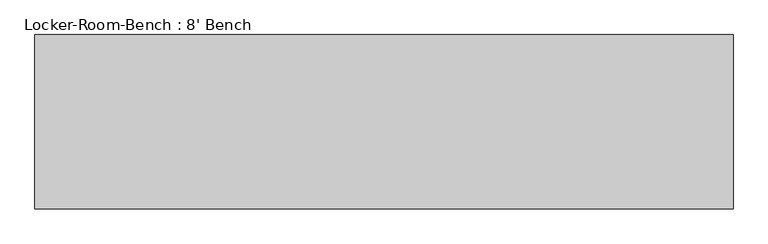
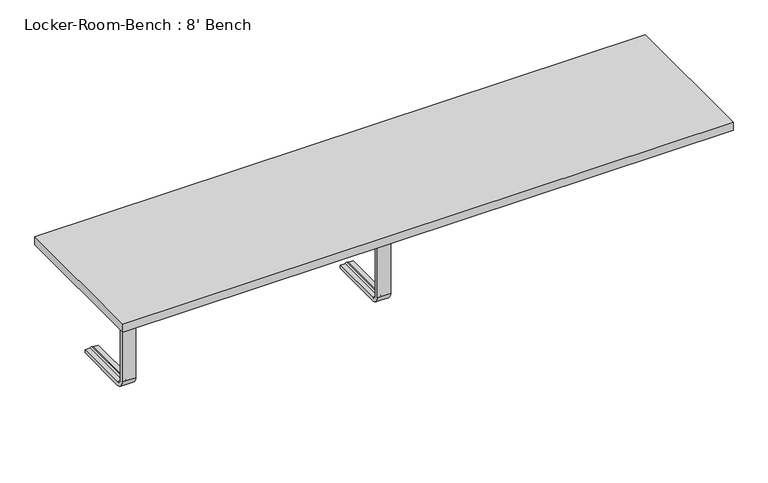
"""IFC4 building model written with IfcOpenShell, lengths in millimetres: proxy geometry, Locker-Room-Bench : 8' Bench."""

from ifc_helpers import new_model, si_unit, point, frame, origin, place, context, project, spatial, polyline, circle_curve, ellipse_curve, trimmed, outline, extrude, source, transform, mapped, element, save
from ifc_brep_helpers import plane_surface, cylinder_surface, revolved_surface, advanced_brep


def locker_room_bench_8_bench_8472a638(model_context):
    return source(origin(), model_context, "Body", "SolidModel", [
        advanced_brep(
        [(-744.4, 193.6, 381.4), (-744.4, 193.6, 371.4), (-759.4, 193.6, 371.4), (-764.4, 193.6, 369.0684617), (-769.4, 193.6, 371.4), (-784.4, 193.6, 371.4), (-784.4, 193.6, 381.4), (-784.4, 25.0, 381.4), (-744.4, 25.0, 381.4), (-784.4, 25.0, 371.4), (-784.4, 10.0, 356.4), (-784.4, 10.0, 40.0), (-784.4, 25.0, 25.0), (-784.4, 193.6, 25.0), (-784.4, 193.6, 15.0), (-784.4, 25.0, 15.0), (-784.4, 0.0, 40.0), (-784.4, 0.0, 356.4), (-769.4, 25.0, 371.4), (-764.4, 25.0, 369.0684617), (-759.4, 25.0, 371.4), (-744.4, 25.0, 371.4), (-744.4, 0.0, 356.4), (-744.4, 0.0, 40.0), (-744.4, 25.0, 15.0), (-744.4, 193.6, 15.0), (-744.4, 193.6, 25.0), (-744.4, 25.0, 25.0), (-744.4, 10.0, 40.0), (-744.4, 10.0, 356.4), (-769.4, 10.0, 356.4), (-764.4, 12.3315383, 356.4), (-759.4, 10.0, 356.4), (-769.4, 10.0, 40.0), (-764.4, 12.3315383, 40.0), (-759.4, 10.0, 40.0), (-769.4, 25.0, 25.0), (-764.4, 25.0, 27.3315383), (-759.4, 25.0, 25.0), (-769.4, 193.6, 25.0), (-764.4, 193.6, 27.3315383), (-759.4, 193.6, 25.0)],
        [
            (0, 1),
            (1, 2),
            (2, 3, circle_curve(frame((-764.1003591, 193.6, 374.9529162), z_axis=(0.0, 1.0, 0.0), x_axis=(0.0, 0.0, 1.0)), 5.8920785)),
            (3, 4, circle_curve(frame((-764.6996409, 193.6, 374.9529162), z_axis=(0.0, 1.0, 0.0), x_axis=(0.0, 0.0, 1.0)), 5.8920785)),
            (4, 5),
            (5, 6),
            (6, 0),
            (6, 7),
            (7, 8),
            (8, 0),
            (5, 9),
            (9, 10, circle_curve(frame((-784.4, 25.0, 356.4), z_axis=(1.0, 0.0, 0.0), x_axis=(0.0, 0.0, 1.0)), 15.0)),
            (10, 11),
            (11, 12, circle_curve(frame((-784.4, 25.0, 40.0), z_axis=(1.0, 0.0, 0.0), x_axis=(0.0, -1.0, 0.0)), 15.0)),
            (12, 13),
            (13, 14),
            (14, 15),
            (15, 16, circle_curve(frame((-784.4, 25.0, 40.0), z_axis=(-1.0, 0.0, 0.0), x_axis=(0.0, -1.0, 0.0)), 25.0)),
            (16, 17),
            (17, 7, circle_curve(frame((-784.4, 25.0, 356.4), z_axis=(-1.0, 0.0, 0.0), x_axis=(0.0, 0.0, 1.0)), 25.0)),
            (4, 18),
            (18, 9),
            (3, 19),
            (19, 18, circle_curve(frame((-764.6996409, 25.0, 374.9529162), z_axis=(0.0, 1.0, 0.0), x_axis=(0.0, 0.0, 1.0)), 5.8920785)),
            (2, 20),
            (20, 19, circle_curve(frame((-764.1003591, 25.0, 374.9529162), z_axis=(0.0, 1.0, 0.0), x_axis=(0.0, 0.0, 1.0)), 5.8920785)),
            (1, 21),
            (21, 20),
            (8, 22, circle_curve(frame((-744.4, 25.0, 356.4), z_axis=(1.0, 0.0, 0.0), x_axis=(0.0, 0.0, 1.0)), 25.0)),
            (22, 23),
            (23, 24, circle_curve(frame((-744.4, 25.0, 40.0), z_axis=(1.0, 0.0, 0.0), x_axis=(0.0, -1.0, 0.0)), 25.0)),
            (24, 25),
            (25, 26),
            (26, 27),
            (27, 28, circle_curve(frame((-744.4, 25.0, 40.0), z_axis=(-1.0, 0.0, 0.0), x_axis=(0.0, -1.0, 0.0)), 15.0)),
            (28, 29),
            (29, 21, circle_curve(frame((-744.4, 25.0, 356.4), z_axis=(-1.0, 0.0, 0.0), x_axis=(0.0, 0.0, 1.0)), 15.0)),
            (17, 22),
            (30, 10),
            (18, 30, circle_curve(frame((-769.4, 25.0, 356.4), z_axis=(1.0, 0.0, 0.0), x_axis=(0.0, 0.0, 1.0)), 15.0)),
            (31, 30, circle_curve(frame((-764.6996409, 6.4470838, 356.4), z_axis=(0.0, 0.0, 1.0), x_axis=(0.0, -1.0, 0.0)), 5.8920785)),
            (19, 31, circle_curve(frame((-764.4, 25.0, 356.4), z_axis=(1.0, 0.0, 0.0), x_axis=(0.0, 0.0, 1.0)), 12.6684617)),
            (32, 31, circle_curve(frame((-764.1003591, 6.4470838, 356.4), z_axis=(0.0, 0.0, 1.0), x_axis=(0.0, -1.0, 0.0)), 5.8920785)),
            (20, 32, circle_curve(frame((-759.4, 25.0, 356.4), z_axis=(1.0, 0.0, 0.0), x_axis=(0.0, 0.0, 1.0)), 15.0)),
            (29, 32),
            (16, 23),
            (30, 33),
            (33, 11),
            (31, 34),
            (34, 33, circle_curve(frame((-764.6996409, 6.4470838, 40.0), z_axis=(0.0, 0.0, 1.0), x_axis=(0.0, -1.0, 0.0)), 5.8920785)),
            (32, 35),
            (35, 34, circle_curve(frame((-764.1003591, 6.4470838, 40.0), z_axis=(0.0, 0.0, 1.0), x_axis=(0.0, -1.0, 0.0)), 5.8920785)),
            (28, 35),
            (15, 24),
            (36, 12),
            (33, 36, circle_curve(frame((-769.4, 25.0, 40.0), z_axis=(1.0, 0.0, 0.0), x_axis=(0.0, -1.0, 0.0)), 15.0)),
            (37, 36, circle_curve(frame((-764.6996409, 25.0, 21.4470838), z_axis=(0.0, -1.0, 0.0), x_axis=(0.0, 0.0, -1.0)), 5.8920785)),
            (34, 37, circle_curve(frame((-764.4, 25.0, 40.0), z_axis=(1.0, 0.0, 0.0), x_axis=(0.0, -1.0, 0.0)), 12.6684617)),
            (38, 37, circle_curve(frame((-764.1003591, 25.0, 21.4470838), z_axis=(0.0, -1.0, 0.0), x_axis=(0.0, 0.0, -1.0)), 5.8920785)),
            (35, 38, circle_curve(frame((-759.4, 25.0, 40.0), z_axis=(1.0, 0.0, 0.0), x_axis=(0.0, -1.0, 0.0)), 15.0)),
            (27, 38),
            (25, 14),
            (13, 39),
            (39, 40, circle_curve(frame((-764.6996409, 193.6, 21.4470838), z_axis=(0.0, 1.0, 0.0), x_axis=(0.0, 0.0, -1.0)), 5.8920785)),
            (40, 41, circle_curve(frame((-764.1003591, 193.6, 21.4470838), z_axis=(0.0, 1.0, 0.0), x_axis=(0.0, 0.0, -1.0)), 5.8920785)),
            (41, 26),
            (36, 39),
            (37, 40),
            (38, 41),
        ],
        [
            plane_surface(frame((-764.4, 193.6, 381.4), z_axis=(0.0, 1.0, 0.0), x_axis=(1.0, 0.0, 0.0))),
            plane_surface(frame((-744.4, 193.6, 381.4), z_axis=(0.0, 0.0, 1.0), x_axis=(0.0, -1.0, 0.0))),
            plane_surface(frame((-784.4, 193.6, 381.4), z_axis=(-1.0, 0.0, 0.0), x_axis=(0.0, -1.0, 0.0))),
            plane_surface(frame((-784.4, 193.6, 371.4), z_axis=(0.0, 0.0, -1.0), x_axis=(0.0, -1.0, 0.0))),
            cylinder_surface(frame((-764.6996409, 193.6, 374.9529162), z_axis=(0.0, 1.0, 0.0), x_axis=(0.0, 0.0, 1.0)), 5.8920785),
            cylinder_surface(frame((-764.1003591, 193.6, 374.9529162), z_axis=(0.0, 1.0, 0.0), x_axis=(0.0, 0.0, 1.0)), 5.8920785),
            plane_surface(frame((-759.4, 193.6, 371.4), z_axis=(0.0, 0.0, -1.0), x_axis=(0.0, -1.0, 0.0))),
            plane_surface(frame((-744.4, 193.6, 371.4), z_axis=(1.0, 0.0, 0.0), x_axis=(0.0, -1.0, 0.0))),
            cylinder_surface(frame((-764.4, 25.0, 356.4), z_axis=(-1.0, 0.0, 0.0), x_axis=(0.0, 0.0, 1.0)), 25.0),
            revolved_surface(polyline([(-784.4, 25.0, 371.4), (-769.4, 25.0, 371.4)]), (-764.4, 25.0, 356.4), (-1.0, 0.0, 0.0)),
            revolved_surface(trimmed(ellipse_curve(frame((-764.6996409, 25.0, 374.9529162), z_axis=(0.0, -1.0, 0.0), x_axis=(0.0, 0.0, 1.0)), 5.8920785, 5.8920785), [point((-769.4, 25.0, 371.4))], [point((-764.4, 25.0, 369.0684617))], True, "CARTESIAN"), (-764.4, 25.0, 356.4), (-1.0, 0.0, 0.0)),
            revolved_surface(trimmed(ellipse_curve(frame((-764.1003591, 25.0, 374.9529162), z_axis=(0.0, -1.0, 0.0), x_axis=(0.0, 0.0, 1.0)), 5.8920785, 5.8920785), [point((-764.4, 25.0, 369.0684617))], [point((-759.4, 25.0, 371.4))], True, "CARTESIAN"), (-764.4, 25.0, 356.4), (-1.0, 0.0, 0.0)),
            revolved_surface(polyline([(-759.4, 25.0, 371.4), (-744.4, 25.0, 371.4)]), (-764.4, 25.0, 356.4), (-1.0, 0.0, 0.0)),
            plane_surface(frame((-744.4, 0.0, 356.4), z_axis=(0.0, -1.0, 0.0), x_axis=(0.0, 0.0, -1.0))),
            plane_surface(frame((-784.4, 10.0, 356.4), z_axis=(0.0, 1.0, 0.0), x_axis=(0.0, 0.0, -1.0))),
            cylinder_surface(frame((-764.6996409, 6.4470838, 356.4), z_axis=(0.0, 0.0, 1.0), x_axis=(0.0, -1.0, 0.0)), 5.8920785),
            cylinder_surface(frame((-764.1003591, 6.4470838, 356.4), z_axis=(0.0, 0.0, 1.0), x_axis=(0.0, -1.0, 0.0)), 5.8920785),
            plane_surface(frame((-759.4, 10.0, 356.4), z_axis=(0.0, 1.0, 0.0), x_axis=(0.0, 0.0, -1.0))),
            cylinder_surface(frame((-764.4, 25.0, 40.0), z_axis=(-1.0, 0.0, 0.0), x_axis=(0.0, -1.0, 0.0)), 25.0),
            revolved_surface(polyline([(-784.4, 10.0, 40.0), (-769.4, 10.0, 40.0)]), (-764.4, 25.0, 40.0), (-1.0, 0.0, 0.0)),
            revolved_surface(trimmed(ellipse_curve(frame((-764.6996409, 6.4470838, 40.0), z_axis=(0.0, 0.0, -1.0), x_axis=(0.0, -1.0, 0.0)), 5.8920785, 5.8920785), [point((-769.4, 10.0, 40.0))], [point((-764.4, 12.3315383, 40.0))], True, "CARTESIAN"), (-764.4, 25.0, 40.0), (-1.0, 0.0, 0.0)),
            revolved_surface(trimmed(ellipse_curve(frame((-764.1003591, 6.4470838, 40.0), z_axis=(0.0, 0.0, -1.0), x_axis=(0.0, -1.0, 0.0)), 5.8920785, 5.8920785), [point((-764.4, 12.3315383, 40.0))], [point((-759.4, 10.0, 40.0))], True, "CARTESIAN"), (-764.4, 25.0, 40.0), (-1.0, 0.0, 0.0)),
            revolved_surface(polyline([(-759.4, 10.0, 40.0), (-744.4, 10.0, 40.0)]), (-764.4, 25.0, 40.0), (-1.0, 0.0, 0.0)),
            plane_surface(frame((-764.4, 193.6, 15.0), z_axis=(0.0, 1.0, 0.0), x_axis=(1.0, 0.0, 0.0))),
            plane_surface(frame((-744.4, 25.0, 15.0), z_axis=(0.0, 0.0, -1.0), x_axis=(0.0, 1.0, 0.0))),
            plane_surface(frame((-784.4, 25.0, 25.0), z_axis=(0.0, 0.0, 1.0), x_axis=(0.0, 1.0, 0.0))),
            cylinder_surface(frame((-764.6996409, 25.0, 21.4470838), z_axis=(0.0, -1.0, 0.0), x_axis=(0.0, 0.0, -1.0)), 5.8920785),
            cylinder_surface(frame((-764.1003591, 25.0, 21.4470838), z_axis=(0.0, -1.0, 0.0), x_axis=(0.0, 0.0, -1.0)), 5.8920785),
            plane_surface(frame((-759.4, 25.0, 25.0), z_axis=(0.0, 0.0, 1.0), x_axis=(0.0, 1.0, 0.0))),
        ],
        [
            (0, [[1, 2, 3, 4, 5, 6, 7]]),
            (1, [[8, 9, 10, -7]]),
            (2, [[11, 12, 13, 14, 15, 16, 17, 18, 19, 20, -8, -6]]),
            (3, [[21, 22, -11, -5]]),
            (4, [[23, 24, -21, -4]]),
            (5, [[25, 26, -23, -3]]),
            (6, [[27, 28, -25, -2]]),
            (7, [[-10, 29, 30, 31, 32, 33, 34, 35, 36, 37, -27, -1]]),
            (8, [[38, -29, -9, -20]]),
            (9, [[39, -12, -22, 40]]),
            (10, [[41, -40, -24, 42]]),
            (11, [[43, -42, -26, 44]]),
            (12, [[45, -44, -28, -37]]),
            (13, [[-19, 46, -30, -38]]),
            (14, [[47, 48, -13, -39]]),
            (15, [[49, 50, -47, -41]]),
            (16, [[51, 52, -49, -43]]),
            (17, [[-36, 53, -51, -45]]),
            (18, [[54, -31, -46, -18]]),
            (19, [[55, -14, -48, 56]]),
            (20, [[57, -56, -50, 58]]),
            (21, [[59, -58, -52, 60]]),
            (22, [[61, -60, -53, -35]]),
            (23, [[62, -16, 63, 64, 65, 66, -33]]),
            (24, [[-17, -62, -32, -54]]),
            (25, [[67, -63, -15, -55]]),
            (26, [[68, -64, -67, -57]]),
            (27, [[69, -65, -68, -59]]),
            (28, [[-34, -66, -69, -61]]),
        ],
    ),
        advanced_brep(
        [(20.0, 193.6, 381.4), (20.0, 193.6, 371.4), (5.0, 193.6, 371.4), (0.0, 193.6, 369.0684617), (-5.0, 193.6, 371.4), (-20.0, 193.6, 371.4), (-20.0, 193.6, 381.4), (-20.0, 25.0, 381.4), (20.0, 25.0, 381.4), (-20.0, 25.0, 371.4), (-20.0, 10.0, 356.4), (-20.0, 10.0, 40.0), (-20.0, 25.0, 25.0), (-20.0, 193.6, 25.0), (-20.0, 193.6, 15.0), (-20.0, 25.0, 15.0), (-20.0, 0.0, 40.0), (-20.0, 0.0, 356.4), (-5.0, 25.0, 371.4), (0.0, 25.0, 369.0684617), (5.0, 25.0, 371.4), (20.0, 25.0, 371.4), (20.0, 0.0, 356.4), (20.0, 0.0, 40.0), (20.0, 25.0, 15.0), (20.0, 193.6, 15.0), (20.0, 193.6, 25.0), (20.0, 25.0, 25.0), (20.0, 10.0, 40.0), (20.0, 10.0, 356.4), (-5.0, 10.0, 356.4), (0.0, 12.3315383, 356.4), (5.0, 10.0, 356.4), (-5.0, 10.0, 40.0), (0.0, 12.3315383, 40.0), (5.0, 10.0, 40.0), (-5.0, 25.0, 25.0), (0.0, 25.0, 27.3315383), (5.0, 25.0, 25.0), (-5.0, 193.6, 25.0), (0.0, 193.6, 27.3315383), (5.0, 193.6, 25.0)],
        [
            (0, 1),
            (1, 2),
            (2, 3, circle_curve(frame((0.2996409, 193.6, 374.9529162), z_axis=(0.0, 1.0, 0.0), x_axis=(0.0, 0.0, 1.0)), 5.8920785)),
            (3, 4, circle_curve(frame((-0.2996409, 193.6, 374.9529162), z_axis=(0.0, 1.0, 0.0), x_axis=(0.0, 0.0, 1.0)), 5.8920785)),
            (4, 5),
            (5, 6),
            (6, 0),
            (6, 7),
            (7, 8),
            (8, 0),
            (5, 9),
            (9, 10, circle_curve(frame((-20.0, 25.0, 356.4), z_axis=(1.0, 0.0, 0.0), x_axis=(0.0, 0.0, 1.0)), 15.0)),
            (10, 11),
            (11, 12, circle_curve(frame((-20.0, 25.0, 40.0), z_axis=(1.0, 0.0, 0.0), x_axis=(0.0, -1.0, 0.0)), 15.0)),
            (12, 13),
            (13, 14),
            (14, 15),
            (15, 16, circle_curve(frame((-20.0, 25.0, 40.0), z_axis=(-1.0, 0.0, 0.0), x_axis=(0.0, -1.0, 0.0)), 25.0)),
            (16, 17),
            (17, 7, circle_curve(frame((-20.0, 25.0, 356.4), z_axis=(-1.0, 0.0, 0.0), x_axis=(0.0, 0.0, 1.0)), 25.0)),
            (4, 18),
            (18, 9),
            (3, 19),
            (19, 18, circle_curve(frame((-0.2996409, 25.0, 374.9529162), z_axis=(0.0, 1.0, 0.0), x_axis=(0.0, 0.0, 1.0)), 5.8920785)),
            (2, 20),
            (20, 19, circle_curve(frame((0.2996409, 25.0, 374.9529162), z_axis=(0.0, 1.0, 0.0), x_axis=(0.0, 0.0, 1.0)), 5.8920785)),
            (1, 21),
            (21, 20),
            (8, 22, circle_curve(frame((20.0, 25.0, 356.4), z_axis=(1.0, 0.0, 0.0), x_axis=(0.0, 0.0, 1.0)), 25.0)),
            (22, 23),
            (23, 24, circle_curve(frame((20.0, 25.0, 40.0), z_axis=(1.0, 0.0, 0.0), x_axis=(0.0, -1.0, 0.0)), 25.0)),
            (24, 25),
            (25, 26),
            (26, 27),
            (27, 28, circle_curve(frame((20.0, 25.0, 40.0), z_axis=(-1.0, 0.0, 0.0), x_axis=(0.0, -1.0, 0.0)), 15.0)),
            (28, 29),
            (29, 21, circle_curve(frame((20.0, 25.0, 356.4), z_axis=(-1.0, 0.0, 0.0), x_axis=(0.0, 0.0, 1.0)), 15.0)),
            (17, 22),
            (30, 10),
            (18, 30, circle_curve(frame((-5.0, 25.0, 356.4), z_axis=(1.0, 0.0, 0.0), x_axis=(0.0, 0.0, 1.0)), 15.0)),
            (31, 30, circle_curve(frame((-0.2996409, 6.4470838, 356.4), z_axis=(0.0, 0.0, 1.0), x_axis=(0.0, -1.0, 0.0)), 5.8920785)),
            (19, 31, circle_curve(frame((0.0, 25.0, 356.4), z_axis=(1.0, 0.0, 0.0), x_axis=(0.0, 0.0, 1.0)), 12.6684617)),
            (32, 31, circle_curve(frame((0.2996409, 6.4470838, 356.4), z_axis=(0.0, 0.0, 1.0), x_axis=(0.0, -1.0, 0.0)), 5.8920785)),
            (20, 32, circle_curve(frame((5.0, 25.0, 356.4), z_axis=(1.0, 0.0, 0.0), x_axis=(0.0, 0.0, 1.0)), 15.0)),
            (29, 32),
            (16, 23),
            (30, 33),
            (33, 11),
            (31, 34),
            (34, 33, circle_curve(frame((-0.2996409, 6.4470838, 40.0), z_axis=(0.0, 0.0, 1.0), x_axis=(0.0, -1.0, 0.0)), 5.8920785)),
            (32, 35),
            (35, 34, circle_curve(frame((0.2996409, 6.4470838, 40.0), z_axis=(0.0, 0.0, 1.0), x_axis=(0.0, -1.0, 0.0)), 5.8920785)),
            (28, 35),
            (15, 24),
            (36, 12),
            (33, 36, circle_curve(frame((-5.0, 25.0, 40.0), z_axis=(1.0, 0.0, 0.0), x_axis=(0.0, -1.0, 0.0)), 15.0)),
            (37, 36, circle_curve(frame((-0.2996409, 25.0, 21.4470838), z_axis=(0.0, -1.0, 0.0), x_axis=(0.0, 0.0, -1.0)), 5.8920785)),
            (34, 37, circle_curve(frame((0.0, 25.0, 40.0), z_axis=(1.0, 0.0, 0.0), x_axis=(0.0, -1.0, 0.0)), 12.6684617)),
            (38, 37, circle_curve(frame((0.2996409, 25.0, 21.4470838), z_axis=(0.0, -1.0, 0.0), x_axis=(0.0, 0.0, -1.0)), 5.8920785)),
            (35, 38, circle_curve(frame((5.0, 25.0, 40.0), z_axis=(1.0, 0.0, 0.0), x_axis=(0.0, -1.0, 0.0)), 15.0)),
            (27, 38),
            (25, 14),
            (13, 39),
            (39, 40, circle_curve(frame((-0.2996409, 193.6, 21.4470838), z_axis=(0.0, 1.0, 0.0), x_axis=(0.0, 0.0, -1.0)), 5.8920785)),
            (40, 41, circle_curve(frame((0.2996409, 193.6, 21.4470838), z_axis=(0.0, 1.0, 0.0), x_axis=(0.0, 0.0, -1.0)), 5.8920785)),
            (41, 26),
            (36, 39),
            (37, 40),
            (38, 41),
        ],
        [
            plane_surface(frame((0.0, 193.6, 381.4), z_axis=(0.0, 1.0, 0.0), x_axis=(1.0, 0.0, 0.0))),
            plane_surface(frame((20.0, 193.6, 381.4), z_axis=(0.0, 0.0, 1.0), x_axis=(0.0, -1.0, 0.0))),
            plane_surface(frame((-20.0, 193.6, 381.4), z_axis=(-1.0, 0.0, 0.0), x_axis=(0.0, -1.0, 0.0))),
            plane_surface(frame((-20.0, 193.6, 371.4), z_axis=(0.0, 0.0, -1.0), x_axis=(0.0, -1.0, 0.0))),
            cylinder_surface(frame((-0.2996409, 193.6, 374.9529162), z_axis=(0.0, 1.0, 0.0), x_axis=(0.0, 0.0, 1.0)), 5.8920785),
            cylinder_surface(frame((0.2996409, 193.6, 374.9529162), z_axis=(0.0, 1.0, 0.0), x_axis=(0.0, 0.0, 1.0)), 5.8920785),
            plane_surface(frame((5.0, 193.6, 371.4), z_axis=(0.0, 0.0, -1.0), x_axis=(0.0, -1.0, 0.0))),
            plane_surface(frame((20.0, 193.6, 371.4), z_axis=(1.0, 0.0, 0.0), x_axis=(0.0, -1.0, 0.0))),
            cylinder_surface(frame((0.0, 25.0, 356.4), z_axis=(-1.0, 0.0, 0.0), x_axis=(0.0, 0.0, 1.0)), 25.0),
            revolved_surface(polyline([(-20.0, 25.0, 371.4), (-5.0, 25.0, 371.4)]), (0.0, 25.0, 356.4), (-1.0, 0.0, 0.0)),
            revolved_surface(trimmed(ellipse_curve(frame((-0.2996409, 25.0, 374.9529162), z_axis=(0.0, -1.0, 0.0), x_axis=(0.0, 0.0, 1.0)), 5.8920785, 5.8920785), [point((-5.0, 25.0, 371.4))], [point((0.0, 25.0, 369.0684617))], True, "CARTESIAN"), (0.0, 25.0, 356.4), (-1.0, 0.0, 0.0)),
            revolved_surface(trimmed(ellipse_curve(frame((0.2996409, 25.0, 374.9529162), z_axis=(0.0, -1.0, 0.0), x_axis=(0.0, 0.0, 1.0)), 5.8920785, 5.8920785), [point((0.0, 25.0, 369.0684617))], [point((5.0, 25.0, 371.4))], True, "CARTESIAN"), (0.0, 25.0, 356.4), (-1.0, 0.0, 0.0)),
            revolved_surface(polyline([(5.0, 25.0, 371.4), (20.0, 25.0, 371.4)]), (0.0, 25.0, 356.4), (-1.0, 0.0, 0.0)),
            plane_surface(frame((20.0, 0.0, 356.4), z_axis=(0.0, -1.0, 0.0), x_axis=(0.0, 0.0, -1.0))),
            plane_surface(frame((-20.0, 10.0, 356.4), z_axis=(0.0, 1.0, 0.0), x_axis=(0.0, 0.0, -1.0))),
            cylinder_surface(frame((-0.2996409, 6.4470838, 356.4), z_axis=(0.0, 0.0, 1.0), x_axis=(0.0, -1.0, 0.0)), 5.8920785),
            cylinder_surface(frame((0.2996409, 6.4470838, 356.4), z_axis=(0.0, 0.0, 1.0), x_axis=(0.0, -1.0, 0.0)), 5.8920785),
            plane_surface(frame((5.0, 10.0, 356.4), z_axis=(0.0, 1.0, 0.0), x_axis=(0.0, 0.0, -1.0))),
            cylinder_surface(frame((0.0, 25.0, 40.0), z_axis=(-1.0, 0.0, 0.0), x_axis=(0.0, -1.0, 0.0)), 25.0),
            revolved_surface(polyline([(-20.0, 10.0, 40.0), (-5.0, 10.0, 40.0)]), (0.0, 25.0, 40.0), (-1.0, 0.0, 0.0)),
            revolved_surface(trimmed(ellipse_curve(frame((-0.2996409, 6.4470838, 40.0), z_axis=(0.0, 0.0, -1.0), x_axis=(0.0, -1.0, 0.0)), 5.8920785, 5.8920785), [point((-5.0, 10.0, 40.0))], [point((0.0, 12.3315383, 40.0))], True, "CARTESIAN"), (0.0, 25.0, 40.0), (-1.0, 0.0, 0.0)),
            revolved_surface(trimmed(ellipse_curve(frame((0.2996409, 6.4470838, 40.0), z_axis=(0.0, 0.0, -1.0), x_axis=(0.0, -1.0, 0.0)), 5.8920785, 5.8920785), [point((0.0, 12.3315383, 40.0))], [point((5.0, 10.0, 40.0))], True, "CARTESIAN"), (0.0, 25.0, 40.0), (-1.0, 0.0, 0.0)),
            revolved_surface(polyline([(5.0, 10.0, 40.0), (20.0, 10.0, 40.0)]), (0.0, 25.0, 40.0), (-1.0, 0.0, 0.0)),
            plane_surface(frame((0.0, 193.6, 15.0), z_axis=(0.0, 1.0, 0.0), x_axis=(1.0, 0.0, 0.0))),
            plane_surface(frame((20.0, 25.0, 15.0), z_axis=(0.0, 0.0, -1.0), x_axis=(0.0, 1.0, 0.0))),
            plane_surface(frame((-20.0, 25.0, 25.0), z_axis=(0.0, 0.0, 1.0), x_axis=(0.0, 1.0, 0.0))),
            cylinder_surface(frame((-0.2996409, 25.0, 21.4470838), z_axis=(0.0, -1.0, 0.0), x_axis=(0.0, 0.0, -1.0)), 5.8920785),
            cylinder_surface(frame((0.2996409, 25.0, 21.4470838), z_axis=(0.0, -1.0, 0.0), x_axis=(0.0, 0.0, -1.0)), 5.8920785),
            plane_surface(frame((5.0, 25.0, 25.0), z_axis=(0.0, 0.0, 1.0), x_axis=(0.0, 1.0, 0.0))),
        ],
        [
            (0, [[1, 2, 3, 4, 5, 6, 7]]),
            (1, [[8, 9, 10, -7]]),
            (2, [[11, 12, 13, 14, 15, 16, 17, 18, 19, 20, -8, -6]]),
            (3, [[21, 22, -11, -5]]),
            (4, [[23, 24, -21, -4]]),
            (5, [[25, 26, -23, -3]]),
            (6, [[27, 28, -25, -2]]),
            (7, [[-10, 29, 30, 31, 32, 33, 34, 35, 36, 37, -27, -1]]),
            (8, [[38, -29, -9, -20]]),
            (9, [[39, -12, -22, 40]]),
            (10, [[41, -40, -24, 42]]),
            (11, [[43, -42, -26, 44]]),
            (12, [[45, -44, -28, -37]]),
            (13, [[-19, 46, -30, -38]]),
            (14, [[47, 48, -13, -39]]),
            (15, [[49, 50, -47, -41]]),
            (16, [[51, 52, -49, -43]]),
            (17, [[-36, 53, -51, -45]]),
            (18, [[54, -31, -46, -18]]),
            (19, [[55, -14, -48, 56]]),
            (20, [[57, -56, -50, 58]]),
            (21, [[59, -58, -52, 60]]),
            (22, [[61, -60, -53, -35]]),
            (23, [[62, -16, 63, 64, 65, 66, -33]]),
            (24, [[-17, -62, -32, -54]]),
            (25, [[67, -63, -15, -55]]),
            (26, [[68, -64, -67, -57]]),
            (27, [[69, -65, -68, -59]]),
            (28, [[-34, -66, -69, -61]]),
        ],
    ),
        extrude(outline(polyline([(914.4, -228.6), (-914.4, -228.6), (-914.4, 228.6), (914.4, 228.6), (914.4, -228.6)])), frame((0.0, 0.0, 381.4), z_axis=(0.0, 0.0, 1.0), x_axis=(1.0, 0.0, 0.0)), (0.0, 0.0, 1.0), 25.0),
    ])


if __name__ == "__main__":
    model = new_model("IFC4")
    model_context = context("Model", 3, world=origin())
    ifc_project = project(units=[si_unit("LENGTHUNIT", "METRE", prefix="MILLI")], contexts=[model_context])
    site = spatial("IfcSite", under=ifc_project)
    building = spatial("IfcBuilding", under=site)
    placement = place(None, origin())
    locker_room_bench_8_bench_shape = locker_room_bench_8_bench_8472a638(model_context)
    element("IfcBuildingElementProxy", 1, Name="Locker-Room-Bench : 8' Bench", ObjectType="Locker-Room-Bench : 8' Bench", at=placement, inside=building, context=model_context, shape_type="MappedRepresentation", body=[
        mapped(locker_room_bench_8_bench_shape, transform((0.0, 0.0, 0.0), x_axis=(1.0, 0.0, 0.0), y_axis=(0.0, 1.0, 0.0), z_axis=(0.0, 0.0, 1.0))),
    ])
    save(model, "model.ifc")
